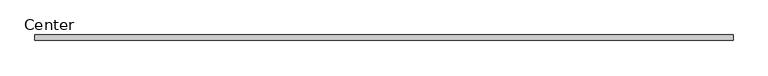
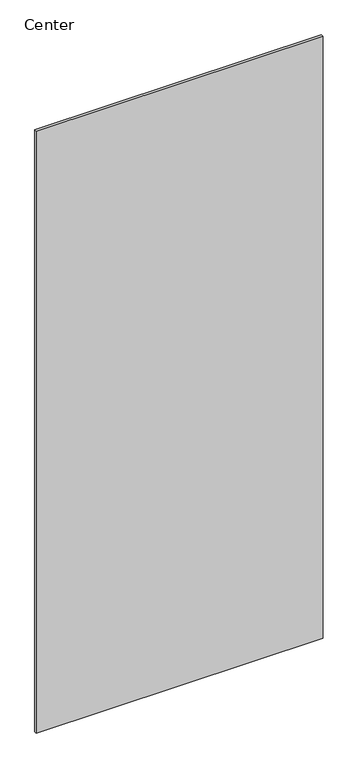
"""IFC4 building model written with IfcOpenShell, lengths in millimetres: plate geometry, Center."""

from ifc_helpers import new_model, si_unit, frame, origin, place, context, project, spatial, polyline, outline, extrude, source, transform, mapped, element, save


def center_f6712eab(model_context):
    return source(origin(), model_context, "Body", "SweptSolid", [
        extrude(outline(polyline([(601.4124998, 4.7625), (601.4124998, -4.7625), (-601.4124998, -4.7625), (-601.4124998, 4.7625), (601.4124998, 4.7625)])), frame((0.0, 0.0, 31.75), z_axis=(0.0, 0.0, 1.0), x_axis=(1.0, 0.0, 0.0)), (0.0, 0.0, 1.0), 2666.4999996),
    ])


if __name__ == "__main__":
    model = new_model("IFC4")
    model_context = context("Model", 3, world=origin())
    ifc_project = project(units=[si_unit("LENGTHUNIT", "METRE", prefix="MILLI")], contexts=[model_context])
    site = spatial("IfcSite", under=ifc_project)
    building = spatial("IfcBuilding", under=site)
    placement = place(None, origin())
    center_shape = center_f6712eab(model_context)
    element("IfcPlate", 1, ObjectType="Center", at=placement, inside=building, context=model_context, shape_type="MappedRepresentation", body=[
        mapped(center_shape, transform((0.0, 0.0, 0.0), x_axis=(1.0, 0.0, 0.0), y_axis=(0.0, 1.0, 0.0), z_axis=(0.0, 0.0, 1.0))),
    ])
    save(model, "model.ifc")
